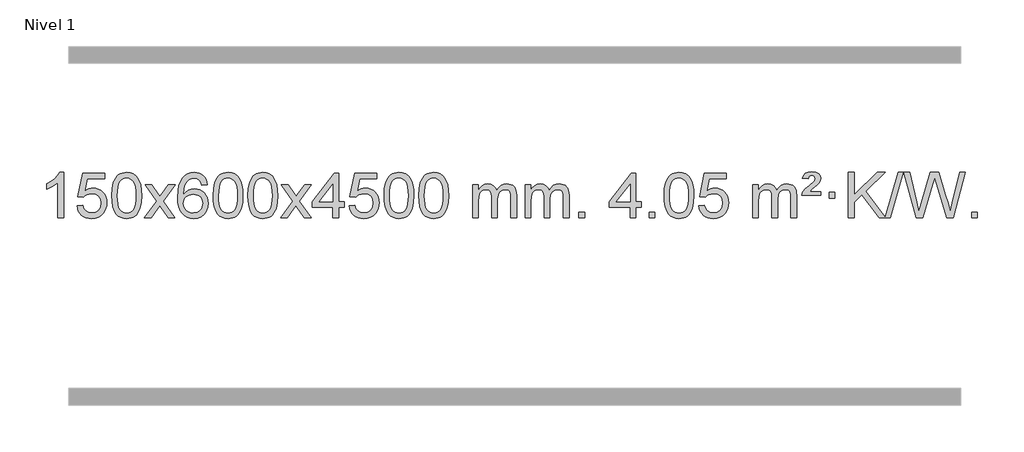
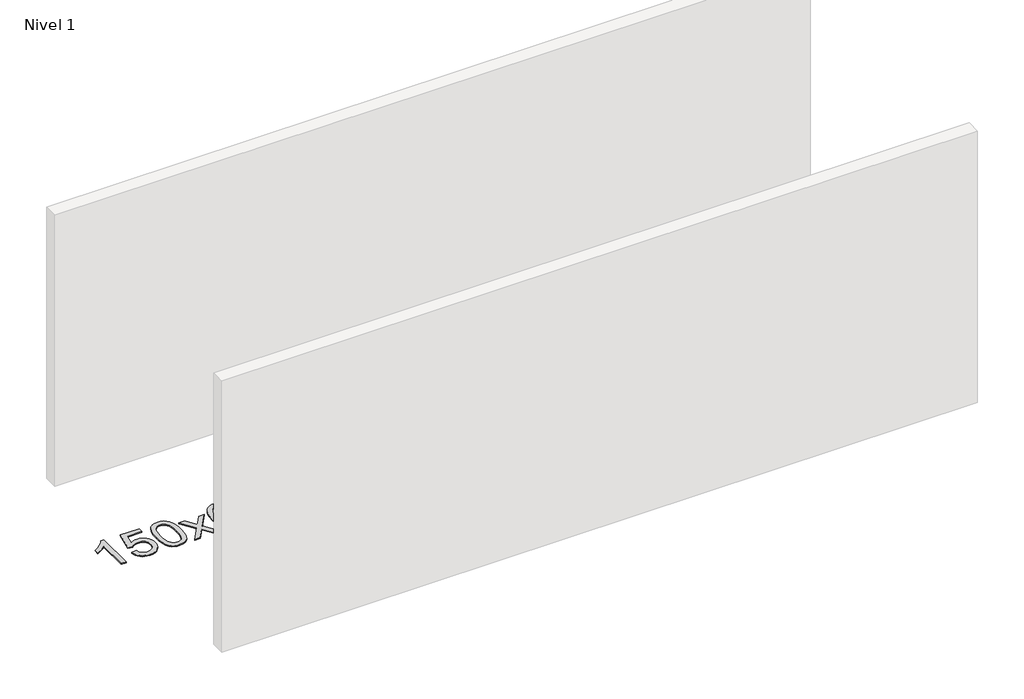
# One storey, part 6 of 21: 1 proxy.
"""IFC4 building model written with IfcOpenShell, lengths in millimetres."""

from ifc_helpers import new_model, si_unit, origin, origin_with_axes, place, context, project, spatial, polyline, outline, extrude, element, save

model = new_model("IFC4")

# Units and contexts
model_context = context("Model", 3, world=origin())
ifc_project = project(units=[si_unit("LENGTHUNIT", "METRE", prefix="MILLI")], contexts=[model_context])

# Site, building, storey
site = spatial("IfcSite", under=ifc_project)
building = spatial("IfcBuilding", under=site)
storey = spatial("IfcBuildingStorey", under=building, Name="Nivel 1", Elevation=0.0)

# Proxy
placement = place(None, origin())
element("IfcBuildingElementProxy", 1, Name="Texto de modelo 1", ObjectType="Texto de modelo 1", at=placement, inside=storey, context=model_context, shape_type="SweptSolid", body=[
    extrude(outline(polyline([(-275.4615788, -39825.579453), (-325.6897338, -39825.579453), (-325.6897338, -39512.4382987), (-346.6590076, -39529.3976587), (-373.2691385, -39546.3324932), (-426.146044, -39571.6918254), (-426.146044, -39524.2105225), (-386.6968314, -39502.7507395), (-352.520594, -39477.219729), (-325.5793692, -39450.0700378), (-307.8351943, -39423.7542124), (-275.4615788, -39423.7542124), (-275.4615788, -39825.579453)])), origin_with_axes(), (0.0, 0.0, 1.0), 10.0),
    extrude(outline(polyline([(-156.1697105, -39718.8446235), (-105.9415554, -39712.5661041), (-96.71998, -39742.7201649), (-80.6312741, -39764.3148381), (-57.749014, -39777.3010725), (-28.1467761, -39781.6298173), (-9.0169124, -39780.1245668), (7.8566085, -39775.6088153), (22.4737864, -39768.0825628), (34.8346214, -39757.5458094), (44.6632021, -39744.519721), (51.6836168, -39729.5254641), (57.2999486, -39693.6324441), (52.0392361, -39659.8363514), (45.4633454, -39645.9181493), (36.2570985, -39633.9865099), (24.3898385, -39624.4154467), (9.8309085, -39617.5789729), (-27.3619612, -39612.1097939), (-51.728012, -39614.2925604), (-71.4587497, -39620.8408599), (-87.2163618, -39630.8717757), (-99.663036, -39643.5023908), (-149.8911911, -39637.2238715), (-105.9415554, -39430.0327318), (88.6925455, -39430.0327318), (88.6925455, -39480.2608869), (-65.3273831, -39480.2608869), (-86.8116916, -39590.919791), (-69.0859108, -39578.2155994), (-50.9309344, -39569.1411769), (-32.3467623, -39563.6965234), (-13.3333945, -39561.8816388), (11.1276925, -39564.1318504), (33.5960854, -39570.882485), (54.0717841, -39582.1335427), (72.5547887, -39597.8850234), (87.855614, -39617.1743027), (98.7847749, -39639.038756), (105.3422715, -39663.4783832), (107.5281037, -39690.4931844), (105.559935, -39716.5147042), (99.655429, -39740.7213394), (89.8145856, -39763.1130902), (76.0374049, -39783.6899565), (55.166233, -39804.7634634), (30.812445, -39819.8159684), (2.9760407, -39828.8474714), (-28.3429799, -39831.8579724), (-54.2633321, -39829.9235262), (-77.6759554, -39824.1201877), (-98.5808498, -39814.447957), (-116.9780152, -39800.9068338), (-132.2849719, -39784.1712688), (-143.91924, -39764.915712), (-151.8808195, -39743.1401636), (-156.1697105, -39718.8446235)])), origin_with_axes(), (0.0, 0.0, 1.0), 10.0),
    extrude(outline(polyline([(151.4777394, -39627.9041943), (155.1688221, -39563.5861588), (166.2420701, -39512.2911459), (184.5871189, -39473.2343407), (196.4451819, -39458.0009605), (210.0936039, -39445.6309284), (225.5783702, -39436.0598651), (242.9454661, -39429.2233914), (283.3266464, -39423.7542124), (314.277785, -39426.991574), (341.9915619, -39436.7036586), (365.1681276, -39452.5103217), (382.5076323, -39474.0314184), (395.6042314, -39501.0830078), (406.05208, -39533.4811488), (412.8946851, -39574.6226186), (415.1755535, -39627.9041943), (411.521259, -39691.8543477), (400.5583756, -39743.0267333), (382.3236913, -39782.1203266), (370.4932195, -39797.3996922), (356.8539945, -39809.8341036), (341.3508341, -39819.4695462), (323.928556, -39826.3520052), (283.3266464, -39831.8579724), (255.6619204, -39829.4667394), (231.1364541, -39822.2930405), (209.7502474, -39810.3368757), (191.5033004, -39793.5982449), (173.9921175, -39763.3399508), (161.4841296, -39725.6381776), (153.9793369, -39680.4929255), (151.4777394, -39627.9041943)]), holes=[polyline([(201.7058944, -39627.8060924), (203.1774224, -39671.4706195), (207.5920064, -39706.8148822), (214.9496463, -39733.8388804), (225.2503421, -39752.5426142), (237.709279, -39765.2682656), (251.5416421, -39774.3580165), (266.7474312, -39779.8118671), (283.3266464, -39781.6298173), (299.9058617, -39779.8057357), (315.1116508, -39774.3334911), (328.9440138, -39765.2130833), (341.4029507, -39752.4445124), (351.7036466, -39733.7101217), (359.0612865, -39706.6922549), (363.4758705, -39671.3909118), (364.9473984, -39627.8060924), (363.5249214, -39585.2973278), (359.2574902, -39550.5753989), (352.145105, -39523.6403055), (342.1877657, -39504.4920476), (329.9372952, -39491.1440625), (315.9455167, -39481.6097875), (300.21243, -39475.8892225), (282.7380352, -39473.9823675), (266.2446591, -39475.6623619), (251.2963874, -39480.7023452), (237.89322, -39489.1023175), (226.0351571, -39500.8622786), (215.3911047, -39521.708925), (207.7882101, -39549.8151094), (203.2264734, -39585.1808319), (201.7058944, -39627.8060924)])]), origin_with_axes(), (0.0, 0.0, 1.0), 10.0),
    extrude(outline(polyline([(440.2896311, -39825.579453), (547.6130718, -39677.2494325), (446.5681504, -39530.4890419), (506.9988995, -39530.4890419), (555.7555266, -39601.122385), (578.5151594, -39634.4770192), (598.2336343, -39607.2047007), (653.7592901, -39530.4890419), (714.1900392, -39530.4890419), (608.0438209, -39677.2494325), (710.2659646, -39825.579453), (649.8352155, -39825.579453), (588.3253459, -39736.4048574), (577.0436314, -39720.1199477), (500.7203801, -39825.579453), (440.2896311, -39825.579453)])), origin_with_axes(), (0.0, 0.0, 1.0), 10.0),
    extrude(outline(polyline([(999.0778563, -39530.4890419), (948.8497012, -39536.7675613), (940.7562973, -39511.874213), (929.8179393, -39494.8780648), (907.0337811, -39479.2062918), (879.4916824, -39473.9823675), (856.1434384, -39477.0235253), (834.1686206, -39486.1469988), (815.2962742, -39505.3627017), (799.8820186, -39531.8134171), (789.4709581, -39569.227016), (785.6081972, -39621.3313693), (805.7558678, -39597.8237098), (829.9011894, -39581.2567573), (856.6952614, -39571.434308), (884.7891831, -39568.1601582), (908.922242, -39570.398107), (931.1913654, -39577.1119534), (951.5965534, -39588.3016975), (970.137806, -39603.9673391), (985.5459302, -39623.1769106), (996.5517332, -39644.9984443), (1003.155215, -39669.4319401), (1005.3563756, -39696.4773982), (1001.2115718, -39732.4439945), (988.7771604, -39765.786366), (969.0832109, -39794.0642287), (943.159793, -39814.8372987), (912.184129, -39827.602804), (877.3334413, -39831.8579724), (847.3909126, -39829.0375437), (820.3485203, -39820.5762579), (796.2062643, -39806.4741147), (774.9641448, -39786.7311143), (757.6460999, -39760.5133908), (745.2760678, -39726.9870783), (737.8540485, -39686.1521768), (735.3800421, -39638.0086864), (738.1268943, -39584.0342663), (746.367451, -39537.9693092), (760.1017122, -39499.8138149), (779.3296778, -39469.5677835), (800.1701928, -39449.5243462), (824.3339085, -39435.2076052), (851.820825, -39426.6175606), (882.6309421, -39423.7542124), (905.7645882, -39425.5261773), (926.7032051, -39430.8420722), (945.4467927, -39439.7018969), (961.9953511, -39452.1056515), (975.9012906, -39467.6364031), (986.7170212, -39485.8772186), (994.4425431, -39506.8280983), (999.0778563, -39530.4890419)]), holes=[polyline([(785.6081972, -39695.6925832), (788.514465, -39717.9494439), (797.2332682, -39739.2007605), (810.7713257, -39757.472233), (828.1353558, -39770.7895612), (849.0923668, -39778.9197533), (873.4093667, -39781.6298173), (906.5555345, -39776.0134855), (920.4706709, -39768.9930708), (932.6138425, -39759.1644901), (942.4638829, -39746.9262824), (949.499626, -39732.6769865), (955.1282206, -39698.1451299), (949.5732024, -39664.9989621), (942.6294298, -39651.3781312), (932.9081481, -39639.725469), (920.7281883, -39630.3904634), (906.4083817, -39623.7226022), (871.3492275, -39618.3883133), (838.2521107, -39623.7226022), (810.5751219, -39639.725469), (799.6520924, -39651.2248471), (791.8499284, -39664.3858254), (787.16863, -39679.2084042), (785.6081972, -39695.6925832)])]), origin_with_axes(), (0.0, 0.0, 1.0), 10.0),
    extrude(outline(polyline([(1049.3060113, -39627.9041943), (1052.997094, -39563.5861588), (1064.0703421, -39512.2911459), (1082.4153909, -39473.2343407), (1094.2734539, -39458.0009605), (1107.9218759, -39445.6309284), (1123.4066422, -39436.0598651), (1140.7737381, -39429.2233914), (1181.1549184, -39423.7542124), (1212.1060569, -39426.991574), (1239.8198339, -39436.7036586), (1262.9963996, -39452.5103217), (1280.3359043, -39474.0314184), (1293.4325033, -39501.0830078), (1303.880352, -39533.4811488), (1310.7229571, -39574.6226186), (1313.0038255, -39627.9041943), (1309.349531, -39691.8543477), (1298.3866475, -39743.0267333), (1280.1519633, -39782.1203266), (1268.3214915, -39797.3996922), (1254.6822665, -39809.8341036), (1239.1791061, -39819.4695462), (1221.7568279, -39826.3520052), (1181.1549184, -39831.8579724), (1153.4901924, -39829.4667394), (1128.964726, -39822.2930405), (1107.5785194, -39810.3368757), (1089.3315724, -39793.5982449), (1071.8203894, -39763.3399508), (1059.3124016, -39725.6381776), (1051.8076089, -39680.4929255), (1049.3060113, -39627.9041943)]), holes=[polyline([(1099.5341664, -39627.8060924), (1101.0056944, -39671.4706195), (1105.4202783, -39706.8148822), (1112.7779182, -39733.8388804), (1123.0786141, -39752.5426142), (1135.537551, -39765.2682656), (1149.369914, -39774.3580165), (1164.5757032, -39779.8118671), (1181.1549184, -39781.6298173), (1197.7341337, -39779.8057357), (1212.9399228, -39774.3334911), (1226.7722858, -39765.2130833), (1239.2312227, -39752.4445124), (1249.5319186, -39733.7101217), (1256.8895585, -39706.6922549), (1261.3041424, -39671.3909118), (1262.7756704, -39627.8060924), (1261.3531934, -39585.2973278), (1257.0857622, -39550.5753989), (1249.973377, -39523.6403055), (1240.0160376, -39504.4920476), (1227.7655672, -39491.1440625), (1213.7737886, -39481.6097875), (1198.040702, -39475.8892225), (1180.5663072, -39473.9823675), (1164.0729311, -39475.6623619), (1149.1246594, -39480.7023452), (1135.721492, -39489.1023175), (1123.863429, -39500.8622786), (1113.2193766, -39521.708925), (1105.6164821, -39549.8151094), (1101.0547453, -39585.1808319), (1099.5341664, -39627.8060924)])]), origin_with_axes(), (0.0, 0.0, 1.0), 10.0),
    extrude(outline(polyline([(1356.9534612, -39627.9041943), (1360.6445439, -39563.5861588), (1371.7177919, -39512.2911459), (1390.0628407, -39473.2343407), (1401.9209037, -39458.0009605), (1415.5693257, -39445.6309284), (1431.054092, -39436.0598651), (1448.4211879, -39429.2233914), (1488.8023682, -39423.7542124), (1519.7535068, -39426.991574), (1547.4672837, -39436.7036586), (1570.6438494, -39452.5103217), (1587.9833541, -39474.0314184), (1601.0799532, -39501.0830078), (1611.5278018, -39533.4811488), (1618.3704069, -39574.6226186), (1620.6512753, -39627.9041943), (1616.9969808, -39691.8543477), (1606.0340974, -39743.0267333), (1587.7994131, -39782.1203266), (1575.9689413, -39797.3996922), (1562.3297163, -39809.8341036), (1546.8265559, -39819.4695462), (1529.4042778, -39826.3520052), (1488.8023682, -39831.8579724), (1461.1376422, -39829.4667394), (1436.6121759, -39822.2930405), (1415.2259692, -39810.3368757), (1396.9790222, -39793.5982449), (1379.4678393, -39763.3399508), (1366.9598514, -39725.6381776), (1359.4550587, -39680.4929255), (1356.9534612, -39627.9041943)]), holes=[polyline([(1407.1816162, -39627.8060924), (1408.6531442, -39671.4706195), (1413.0677282, -39706.8148822), (1420.4253681, -39733.8388804), (1430.7260639, -39752.5426142), (1443.1850008, -39765.2682656), (1457.0173639, -39774.3580165), (1472.223153, -39779.8118671), (1488.8023682, -39781.6298173), (1505.3815835, -39779.8057357), (1520.5873726, -39774.3334911), (1534.4197356, -39765.2130833), (1546.8786725, -39752.4445124), (1557.1793684, -39733.7101217), (1564.5370083, -39706.6922549), (1568.9515923, -39671.3909118), (1570.4231202, -39627.8060924), (1569.0006432, -39585.2973278), (1564.733212, -39550.5753989), (1557.6208268, -39523.6403055), (1547.6634875, -39504.4920476), (1535.413017, -39491.1440625), (1521.4212385, -39481.6097875), (1505.6881518, -39475.8892225), (1488.213757, -39473.9823675), (1471.7203809, -39475.6623619), (1456.7721092, -39480.7023452), (1443.3689418, -39489.1023175), (1431.5108789, -39500.8622786), (1420.8668265, -39521.708925), (1413.2639319, -39549.8151094), (1408.7021952, -39585.1808319), (1407.1816162, -39627.8060924)])]), origin_with_axes(), (0.0, 0.0, 1.0), 10.0),
    extrude(outline(polyline([(1645.7653528, -39825.579453), (1753.0887936, -39677.2494325), (1652.0438722, -39530.4890419), (1712.4746213, -39530.4890419), (1761.2312484, -39601.122385), (1783.9908812, -39634.4770192), (1803.7093561, -39607.2047007), (1859.2350119, -39530.4890419), (1919.665761, -39530.4890419), (1813.5195426, -39677.2494325), (1915.7416864, -39825.579453), (1855.3109373, -39825.579453), (1793.8010677, -39736.4048574), (1782.5193532, -39720.1199477), (1706.1961019, -39825.579453), (1645.7653528, -39825.579453)])), origin_with_axes(), (0.0, 0.0, 1.0), 10.0),
    extrude(outline(polyline([(2110.3757873, -39825.579453), (2110.3757873, -39731.4016622), (1928.2987251, -39731.4016622), (1928.2987251, -39681.1735072), (2122.9328261, -39430.0327318), (2160.6039424, -39430.0327318), (2160.6039424, -39681.1735072), (2210.8320974, -39681.1735072), (2210.8320974, -39731.4016622), (2160.6039424, -39731.4016622), (2160.6039424, -39825.579453), (2110.3757873, -39825.579453)]), holes=[polyline([(2110.3757873, -39681.1735072), (2110.3757873, -39525.9763561), (1990.1029003, -39681.1735072), (2110.3757873, -39681.1735072)])]), origin_with_axes(), (0.0, 0.0, 1.0), 10.0),
    extrude(outline(polyline([(2254.7817331, -39718.8446235), (2305.0098882, -39712.5661041), (2314.2314635, -39742.7201649), (2330.3201695, -39764.3148381), (2353.2024296, -39777.3010725), (2382.8046674, -39781.6298173), (2401.9345312, -39780.1245668), (2418.808052, -39775.6088153), (2433.42523, -39768.0825628), (2445.786065, -39757.5458094), (2455.6146457, -39744.519721), (2462.6350604, -39729.5254641), (2468.2513922, -39693.6324441), (2462.9906797, -39659.8363514), (2456.414789, -39645.9181493), (2447.2085421, -39633.9865099), (2435.341282, -39624.4154467), (2420.7823521, -39617.5789729), (2383.5894824, -39612.1097939), (2359.2234316, -39614.2925604), (2339.4926939, -39620.8408599), (2323.7350818, -39630.8717757), (2311.2884076, -39643.5023908), (2261.0602525, -39637.2238715), (2305.0098882, -39430.0327318), (2499.6439891, -39430.0327318), (2499.6439891, -39480.2608869), (2345.6240605, -39480.2608869), (2324.139752, -39590.919791), (2341.8655328, -39578.2155994), (2360.0205092, -39569.1411769), (2378.6046813, -39563.6965234), (2397.6180491, -39561.8816388), (2422.0791361, -39564.1318504), (2444.547529, -39570.882485), (2465.0232277, -39582.1335427), (2483.5062323, -39597.8850234), (2498.8070576, -39617.1743027), (2509.7362185, -39639.038756), (2516.2937151, -39663.4783832), (2518.4795473, -39690.4931844), (2516.5113786, -39716.5147042), (2510.6068726, -39740.7213394), (2500.7660292, -39763.1130902), (2486.9888485, -39783.6899565), (2466.1176766, -39804.7634634), (2441.7638885, -39819.8159684), (2413.9274842, -39828.8474714), (2382.6084637, -39831.8579724), (2356.6881115, -39829.9235262), (2333.2754882, -39824.1201877), (2312.3705938, -39814.447957), (2293.9734283, -39800.9068338), (2278.6664717, -39784.1712688), (2267.0322036, -39764.915712), (2259.0706241, -39743.1401636), (2254.7817331, -39718.8446235)])), origin_with_axes(), (0.0, 0.0, 1.0), 10.0),
    extrude(outline(polyline([(2562.429183, -39627.9041943), (2566.1202656, -39563.5861588), (2577.1935137, -39512.2911459), (2595.5385625, -39473.2343407), (2607.3966255, -39458.0009605), (2621.0450475, -39445.6309284), (2636.5298138, -39436.0598651), (2653.8969097, -39429.2233914), (2694.27809, -39423.7542124), (2725.2292286, -39426.991574), (2752.9430055, -39436.7036586), (2776.1195712, -39452.5103217), (2793.4590759, -39474.0314184), (2806.555675, -39501.0830078), (2817.0035236, -39533.4811488), (2823.8461287, -39574.6226186), (2826.1269971, -39627.9041943), (2822.4727026, -39691.8543477), (2811.5098192, -39743.0267333), (2793.2751349, -39782.1203266), (2781.4446631, -39797.3996922), (2767.8054381, -39809.8341036), (2752.3022777, -39819.4695462), (2734.8799996, -39826.3520052), (2694.27809, -39831.8579724), (2666.613364, -39829.4667394), (2642.0878976, -39822.2930405), (2620.701691, -39810.3368757), (2602.454744, -39793.5982449), (2584.9435611, -39763.3399508), (2572.4355732, -39725.6381776), (2564.9307805, -39680.4929255), (2562.429183, -39627.9041943)]), holes=[polyline([(2612.657338, -39627.8060924), (2614.128866, -39671.4706195), (2618.54345, -39706.8148822), (2625.9010899, -39733.8388804), (2636.2017857, -39752.5426142), (2648.6607226, -39765.2682656), (2662.4930856, -39774.3580165), (2677.6988748, -39779.8118671), (2694.27809, -39781.6298173), (2710.8573053, -39779.8057357), (2726.0630944, -39774.3334911), (2739.8954574, -39765.2130833), (2752.3543943, -39752.4445124), (2762.6550902, -39733.7101217), (2770.0127301, -39706.6922549), (2774.427314, -39671.3909118), (2775.898842, -39627.8060924), (2774.476365, -39585.2973278), (2770.2089338, -39550.5753989), (2763.0965486, -39523.6403055), (2753.1392093, -39504.4920476), (2740.8887388, -39491.1440625), (2726.8969603, -39481.6097875), (2711.1638736, -39475.8892225), (2693.6894788, -39473.9823675), (2677.1961027, -39475.6623619), (2662.247831, -39480.7023452), (2648.8446636, -39489.1023175), (2636.9866007, -39500.8622786), (2626.3425483, -39521.708925), (2618.7396537, -39549.8151094), (2614.1779169, -39585.1808319), (2612.657338, -39627.8060924)])]), origin_with_axes(), (0.0, 0.0, 1.0), 10.0),
    extrude(outline(polyline([(2870.0766328, -39627.9041943), (2873.7677155, -39563.5861588), (2884.8409635, -39512.2911459), (2903.1860124, -39473.2343407), (2915.0440753, -39458.0009605), (2928.6924974, -39445.6309284), (2944.1772637, -39436.0598651), (2961.5443595, -39429.2233914), (3001.9255399, -39423.7542124), (3032.8766784, -39426.991574), (3060.5904554, -39436.7036586), (3083.7670211, -39452.5103217), (3101.1065258, -39474.0314184), (3114.2031248, -39501.0830078), (3124.6509735, -39533.4811488), (3131.4935786, -39574.6226186), (3133.7744469, -39627.9041943), (3130.1201525, -39691.8543477), (3119.157269, -39743.0267333), (3100.9225848, -39782.1203266), (3089.0921129, -39797.3996922), (3075.452888, -39809.8341036), (3059.9497276, -39819.4695462), (3042.5274494, -39826.3520052), (3001.9255399, -39831.8579724), (2974.2608138, -39829.4667394), (2949.7353475, -39822.2930405), (2928.3491408, -39810.3368757), (2910.1021939, -39793.5982449), (2892.5910109, -39763.3399508), (2880.0830231, -39725.6381776), (2872.5782304, -39680.4929255), (2870.0766328, -39627.9041943)]), holes=[polyline([(2920.3047879, -39627.8060924), (2921.7763158, -39671.4706195), (2926.1908998, -39706.8148822), (2933.5485397, -39733.8388804), (2943.8492356, -39752.5426142), (2956.3081725, -39765.2682656), (2970.1405355, -39774.3580165), (2985.3463246, -39779.8118671), (3001.9255399, -39781.6298173), (3018.5047551, -39779.8057357), (3033.7105442, -39774.3334911), (3047.5429073, -39765.2130833), (3060.0018442, -39752.4445124), (3070.30254, -39733.7101217), (3077.6601799, -39706.6922549), (3082.0747639, -39671.3909118), (3083.5462919, -39627.8060924), (3082.1238148, -39585.2973278), (3077.8563837, -39550.5753989), (3070.7439984, -39523.6403055), (3060.7866591, -39504.4920476), (3048.5361887, -39491.1440625), (3034.5444101, -39481.6097875), (3018.8113234, -39475.8892225), (3001.3369287, -39473.9823675), (2984.8435526, -39475.6623619), (2969.8952808, -39480.7023452), (2956.4921135, -39489.1023175), (2944.6340505, -39500.8622786), (2933.9899981, -39521.708925), (2926.3871035, -39549.8151094), (2921.8253668, -39585.1808319), (2920.3047879, -39627.8060924)])]), origin_with_axes(), (0.0, 0.0, 1.0), 10.0),
    extrude(outline(polyline([(3347.244106, -39825.579453), (3347.244106, -39530.4890419), (3397.4722611, -39530.4890419), (3397.4722611, -39579.0494653), (3412.5799483, -39556.7435537), (3432.0041177, -39539.2691589), (3455.0825815, -39527.9751816), (3481.1531522, -39524.2105225), (3509.0876584, -39528.048758), (3531.4794092, -39539.5634645), (3548.2057772, -39557.9943524), (3559.1441352, -39582.5811324), (3577.4523959, -39557.0439906), (3598.3358304, -39538.803175), (3621.794439, -39527.8586857), (3647.8282215, -39524.2105225), (3667.9360383, -39525.7280358), (3685.585177, -39530.2805755), (3700.7756377, -39537.8681416), (3713.5074204, -39548.4907342), (3723.5720587, -39562.2709806), (3730.761086, -39579.3315082), (3735.0745024, -39599.6723168), (3736.5123078, -39623.2934066), (3736.5123078, -39825.579453), (3686.2841528, -39825.579453), (3686.2841528, -39644.875817), (3685.1191931, -39619.8230531), (3681.6243142, -39602.9372695), (3675.0760146, -39591.3735121), (3664.7507933, -39582.2868268), (3651.4702533, -39576.4007149), (3636.0559977, -39574.4386776), (3608.8449928, -39579.4663982), (3586.6617085, -39594.54956), (3578.0563355, -39606.1194488), (3571.9096405, -39620.7182326), (3566.9922845, -39659.0024856), (3566.9922845, -39825.579453), (3516.7641294, -39825.579453), (3516.7641294, -39639.2840106), (3513.8578616, -39610.8835206), (3505.1390583, -39590.6254854), (3489.7983791, -39578.4853796), (3467.0264836, -39574.4386776), (3447.6758907, -39577.1364789), (3429.8458767, -39585.2298828), (3415.1305968, -39598.5226856), (3405.1242066, -39616.8186835), (3399.3852475, -39642.2025411), (3397.4722611, -39676.7589232), (3397.4722611, -39825.579453), (3347.244106, -39825.579453)])), origin_with_axes(), (0.0, 0.0, 1.0), 10.0),
    extrude(outline(polyline([(3811.8545404, -39825.579453), (3811.8545404, -39530.4890419), (3862.0826955, -39530.4890419), (3862.0826955, -39579.0494653), (3877.1903828, -39556.7435537), (3896.6145521, -39539.2691589), (3919.693016, -39527.9751816), (3945.7635867, -39524.2105225), (3973.6980929, -39528.048758), (3996.0898436, -39539.5634645), (4012.8162117, -39557.9943524), (4023.7545697, -39582.5811324), (4042.0628303, -39557.0439906), (4062.9462649, -39538.803175), (4086.4048734, -39527.8586857), (4112.438656, -39524.2105225), (4132.5464727, -39525.7280358), (4150.1956114, -39530.2805755), (4165.3860721, -39537.8681416), (4178.1178548, -39548.4907342), (4188.1824931, -39562.2709806), (4195.3715204, -39579.3315082), (4199.6849368, -39599.6723168), (4201.1227423, -39623.2934066), (4201.1227423, -39825.579453), (4150.8945872, -39825.579453), (4150.8945872, -39644.875817), (4149.7296276, -39619.8230531), (4146.2347486, -39602.9372695), (4139.6864491, -39591.3735121), (4129.3612278, -39582.2868268), (4116.0806877, -39576.4007149), (4100.6664321, -39574.4386776), (4073.4554272, -39579.4663982), (4051.2721429, -39594.54956), (4042.6667699, -39606.1194488), (4036.5200749, -39620.7182326), (4031.6027189, -39659.0024856), (4031.6027189, -39825.579453), (3981.3745638, -39825.579453), (3981.3745638, -39639.2840106), (3978.4682961, -39610.8835206), (3969.7494928, -39590.6254854), (3954.4088136, -39578.4853796), (3931.6369181, -39574.4386776), (3912.2863251, -39577.1364789), (3894.4563111, -39585.2298828), (3879.7410313, -39598.5226856), (3869.734641, -39616.8186835), (3863.9956819, -39642.2025411), (3862.0826955, -39676.7589232), (3862.0826955, -39825.579453), (3811.8545404, -39825.579453)])), origin_with_axes(), (0.0, 0.0, 1.0), 10.0),
    extrude(outline(polyline([(4289.0220137, -39825.579453), (4289.0220137, -39775.3512979), (4339.2501687, -39775.3512979), (4339.2501687, -39825.579453), (4289.0220137, -39825.579453)])), origin_with_axes(), (0.0, 0.0, 1.0), 10.0),
    extrude(outline(polyline([(4741.0754093, -39825.579453), (4741.0754093, -39731.4016622), (4558.9983472, -39731.4016622), (4558.9983472, -39681.1735072), (4753.6324481, -39430.0327318), (4791.3035644, -39430.0327318), (4791.3035644, -39681.1735072), (4841.5317195, -39681.1735072), (4841.5317195, -39731.4016622), (4791.3035644, -39731.4016622), (4791.3035644, -39825.579453), (4741.0754093, -39825.579453)]), holes=[polyline([(4741.0754093, -39681.1735072), (4741.0754093, -39525.9763561), (4620.8025224, -39681.1735072), (4741.0754093, -39681.1735072)])]), origin_with_axes(), (0.0, 0.0, 1.0), 10.0),
    extrude(outline(polyline([(4910.5954327, -39825.579453), (4910.5954327, -39775.3512979), (4960.8235878, -39775.3512979), (4960.8235878, -39825.579453), (4910.5954327, -39825.579453)])), origin_with_axes(), (0.0, 0.0, 1.0), 10.0),
    extrude(outline(polyline([(5042.4443398, -39627.9041943), (5046.1354225, -39563.5861588), (5057.2086705, -39512.2911459), (5075.5537193, -39473.2343407), (5087.4117823, -39458.0009605), (5101.0602043, -39445.6309284), (5116.5449707, -39436.0598651), (5133.9120665, -39429.2233914), (5174.2932469, -39423.7542124), (5205.2443854, -39426.991574), (5232.9581623, -39436.7036586), (5256.134728, -39452.5103217), (5273.4742328, -39474.0314184), (5286.5708318, -39501.0830078), (5297.0186804, -39533.4811488), (5303.8612856, -39574.6226186), (5306.1421539, -39627.9041943), (5302.4878594, -39691.8543477), (5291.524976, -39743.0267333), (5273.2902918, -39782.1203266), (5261.4598199, -39797.3996922), (5247.820595, -39809.8341036), (5232.3174345, -39819.4695462), (5214.8951564, -39826.3520052), (5174.2932469, -39831.8579724), (5146.6285208, -39829.4667394), (5122.1030545, -39822.2930405), (5100.7168478, -39810.3368757), (5082.4699009, -39793.5982449), (5064.9587179, -39763.3399508), (5052.45073, -39725.6381776), (5044.9459373, -39680.4929255), (5042.4443398, -39627.9041943)]), holes=[polyline([(5092.6724949, -39627.8060924), (5094.1440228, -39671.4706195), (5098.5586068, -39706.8148822), (5105.9162467, -39733.8388804), (5116.2169425, -39752.5426142), (5128.6758794, -39765.2682656), (5142.5082425, -39774.3580165), (5157.7140316, -39779.8118671), (5174.2932469, -39781.6298173), (5190.8724621, -39779.8057357), (5206.0782512, -39774.3334911), (5219.9106143, -39765.2130833), (5232.3695512, -39752.4445124), (5242.670247, -39733.7101217), (5250.0278869, -39706.6922549), (5254.4424709, -39671.3909118), (5255.9139988, -39627.8060924), (5254.4915218, -39585.2973278), (5250.2240907, -39550.5753989), (5243.1117054, -39523.6403055), (5233.1543661, -39504.4920476), (5220.9038956, -39491.1440625), (5206.9121171, -39481.6097875), (5191.1790304, -39475.8892225), (5173.7046357, -39473.9823675), (5157.2112595, -39475.6623619), (5142.2629878, -39480.7023452), (5128.8598204, -39489.1023175), (5117.0017575, -39500.8622786), (5106.3577051, -39521.708925), (5098.7548105, -39549.8151094), (5094.1930738, -39585.1808319), (5092.6724949, -39627.8060924)])]), origin_with_axes(), (0.0, 0.0, 1.0), 10.0),
    extrude(outline(polyline([(5350.0917896, -39718.8446235), (5400.3199447, -39712.5661041), (5409.54152, -39742.7201649), (5425.630226, -39764.3148381), (5448.5124861, -39777.3010725), (5478.1147239, -39781.6298173), (5497.2445877, -39780.1245668), (5514.1181085, -39775.6088153), (5528.7352865, -39768.0825628), (5541.0961215, -39757.5458094), (5550.9247021, -39744.519721), (5557.9451169, -39729.5254641), (5563.5614487, -39693.6324441), (5558.3007361, -39659.8363514), (5551.7248455, -39645.9181493), (5542.5185986, -39633.9865099), (5530.6513385, -39624.4154467), (5516.0924086, -39617.5789729), (5478.8995389, -39612.1097939), (5454.533488, -39614.2925604), (5434.8027504, -39620.8408599), (5419.0451382, -39630.8717757), (5406.5984641, -39643.5023908), (5356.370309, -39637.2238715), (5400.3199447, -39430.0327318), (5594.9540456, -39430.0327318), (5594.9540456, -39480.2608869), (5440.934117, -39480.2608869), (5419.4498084, -39590.919791), (5437.1755892, -39578.2155994), (5455.3305657, -39569.1411769), (5473.9147378, -39563.6965234), (5492.9281056, -39561.8816388), (5517.3891926, -39564.1318504), (5539.8575855, -39570.882485), (5560.3332842, -39582.1335427), (5578.8162887, -39597.8850234), (5594.1171141, -39617.1743027), (5605.046275, -39639.038756), (5611.6037716, -39663.4783832), (5613.7896038, -39690.4931844), (5611.8214351, -39716.5147042), (5605.9169291, -39740.7213394), (5596.0760857, -39763.1130902), (5582.298905, -39783.6899565), (5561.4277331, -39804.7634634), (5537.073945, -39819.8159684), (5509.2375407, -39828.8474714), (5477.9185202, -39831.8579724), (5451.998168, -39829.9235262), (5428.5855447, -39824.1201877), (5407.6806503, -39814.447957), (5389.2834848, -39800.9068338), (5373.9765281, -39784.1712688), (5362.3422601, -39764.915712), (5354.3806805, -39743.1401636), (5350.0917896, -39718.8446235)])), origin_with_axes(), (0.0, 0.0, 1.0), 10.0),
    extrude(outline(polyline([(5827.2592628, -39825.579453), (5827.2592628, -39530.4890419), (5877.4874179, -39530.4890419), (5877.4874179, -39579.0494653), (5892.5951052, -39556.7435537), (5912.0192745, -39539.2691589), (5935.0977383, -39527.9751816), (5961.1683091, -39524.2105225), (5989.1028152, -39528.048758), (6011.494566, -39539.5634645), (6028.2209341, -39557.9943524), (6039.159292, -39582.5811324), (6057.4675527, -39557.0439906), (6078.3509873, -39538.803175), (6101.8095958, -39527.8586857), (6127.8433783, -39524.2105225), (6147.9511951, -39525.7280358), (6165.6003338, -39530.2805755), (6180.7907945, -39537.8681416), (6193.5225772, -39548.4907342), (6203.5872155, -39562.2709806), (6210.7762428, -39579.3315082), (6215.0896592, -39599.6723168), (6216.5274647, -39623.2934066), (6216.5274647, -39825.579453), (6166.2993096, -39825.579453), (6166.2993096, -39644.875817), (6165.1343499, -39619.8230531), (6161.639471, -39602.9372695), (6155.0911715, -39591.3735121), (6144.7659501, -39582.2868268), (6131.4854101, -39576.4007149), (6116.0711545, -39574.4386776), (6088.8601496, -39579.4663982), (6066.6768653, -39594.54956), (6058.0714923, -39606.1194488), (6051.9247973, -39620.7182326), (6047.0074413, -39659.0024856), (6047.0074413, -39825.579453), (5996.7792862, -39825.579453), (5996.7792862, -39639.2840106), (5993.8730184, -39610.8835206), (5985.1542152, -39590.6254854), (5969.813536, -39578.4853796), (5947.0416405, -39574.4386776), (5927.6910475, -39577.1364789), (5909.8610335, -39585.2298828), (5895.1457537, -39598.5226856), (5885.1393634, -39616.8186835), (5879.4004043, -39642.2025411), (5877.4874179, -39676.7589232), (5877.4874179, -39825.579453), (5827.2592628, -39825.579453)])), origin_with_axes(), (0.0, 0.0, 1.0), 10.0),
    extrude(outline(polyline([(6260.4771003, -39624.6668327), (6264.3030731, -39608.8479069), (6272.6417317, -39592.9799302), (6294.1505656, -39567.8413272), (6326.1072483, -39540.1030247), (6370.2530877, -39502.726214), (6377.3899984, -39491.1992448), (6379.7689686, -39479.3779701), (6377.8805077, -39467.2869152), (6372.215125, -39457.5012541), (6362.8463969, -39451.026531), (6349.8478997, -39448.8682899), (6337.4134883, -39450.4869707), (6328.5597949, -39455.343013), (6322.1341227, -39464.8098431), (6316.9837748, -39480.2608869), (6266.7556197, -39473.9823675), (6277.5958759, -39448.7701881), (6294.224142, -39431.2099542), (6317.9893189, -39420.9092583), (6350.2403072, -39417.475693), (6386.0229626, -39421.6082341), (6410.7691581, -39434.0058573), (6425.1901323, -39452.3386434), (6429.9971237, -39474.2766731), (6425.9013708, -39497.1834586), (6413.6141122, -39518.8149199), (6393.0862969, -39538.6314968), (6356.6169284, -39566.6886303), (6331.0123416, -39593.2742358), (6429.9971237, -39593.2742358), (6429.9971237, -39624.6668327), (6260.4771003, -39624.6668327)])), origin_with_axes(), (0.0, 0.0, 1.0), 10.0),
    extrude(outline(polyline([(6505.3393563, -39649.7809102), (6505.3393563, -39599.5527552), (6555.5675114, -39599.5527552), (6555.5675114, -39649.7809102), (6505.3393563, -39649.7809102)])), origin_with_axes(), (0.0, 0.0, 1.0), 10.0),
    extrude(outline(polyline([(6946.2091394, -39825.579453), (6792.7778219, -39622.9009991), (6725.0875348, -39687.4520265), (6725.0875348, -39825.579453), (6674.8593797, -39825.579453), (6674.8593797, -39423.7542124), (6725.0875348, -39423.7542124), (6725.0875348, -39620.4484525), (6931.1014521, -39423.7542124), (7001.3423877, -39423.7542124), (6828.388799, -39588.9577537), (7003.0424089, -39819.5349332), (7114.3557366, -39423.7542124), (7159.6787984, -39423.7542124), (7046.6654495, -39825.579453), (7007.6209071, -39825.579453), (7001.3423877, -39825.579453), (6946.2091394, -39825.579453)])), origin_with_axes(), (0.0, 0.0, 1.0), 10.0),
    extrude(outline(polyline([(7274.1636753, -39825.579453), (7164.5838917, -39423.7542124), (7216.3816766, -39423.7542124), (7279.9516854, -39687.844434), (7299.5720585, -39769.3670841), (7320.5658576, -39697.2622131), (7400.2245723, -39423.7542124), (7474.8800919, -39423.7542124), (7532.7601925, -39622.0180823), (7557.5554389, -39695.5944814), (7575.8269114, -39769.3670841), (7594.8586732, -39690.1988788), (7659.0172932, -39423.7542124), (7710.8150781, -39423.7542124), (7601.1371926, -39825.579453), (7547.4754723, -39825.579453), (7451.1394405, -39515.5775584), (7437.6994849, -39472.3146358), (7422.5917976, -39524.4067263), (7334.7906281, -39825.579453), (7274.1636753, -39825.579453)])), origin_with_axes(), (0.0, 0.0, 1.0), 10.0),
    extrude(outline(polyline([(7767.3217526, -39825.579453), (7767.3217526, -39775.3512979), (7817.5499077, -39775.3512979), (7817.5499077, -39825.579453), (7767.3217526, -39825.579453)])), origin_with_axes(), (0.0, 0.0, 1.0), 10.0),
])

save(model, "model.ifc")
